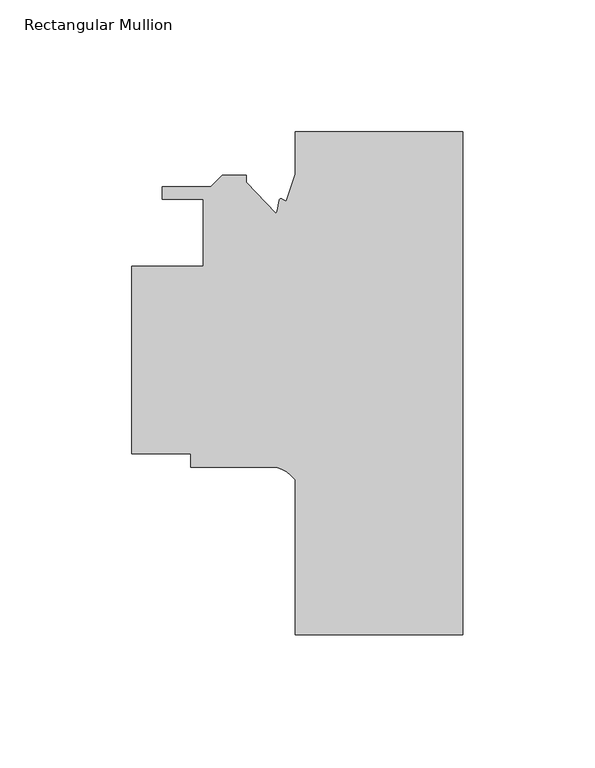
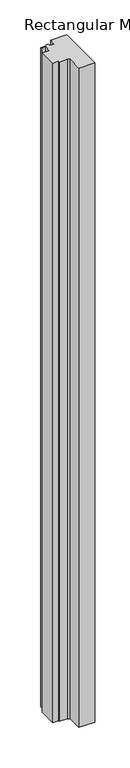
"""IFC4 building model written with IfcOpenShell, lengths in millimetres: member geometry, Rectangular Mullion."""

from ifc_helpers import new_model, si_unit, point, frame, frame_2d, origin, place, context, project, spatial, polyline, circle_curve, trimmed, segment, composite_curve, outline, extrude, source, transform, mapped, element, save


def rectangular_mullion_28385f3c(model_context):
    return source(origin(), model_context, "Body", "SweptSolid", [
        extrude(outline(composite_curve([segment(polyline([(-63.515875, -190.51587), (-63.515875, -131.8340129)]), True, "CONTINUOUS"), segment(trimmed(circle_curve(frame_2d((-74.3196816, -140.2466887)), 13.6928942), [point((-63.515875, -131.8340129))], [point((-70.7925126, -127.015875))], True, "CARTESIAN"), True, "CONTINUOUS"), segment(polyline([(-70.7925126, -127.015875), (-103.1875, -127.015875), (-103.1875, -121.935875), (-125.4125, -121.935875), (-125.4125, -50.8158752), (-98.4250005, -50.8158752), (-98.4250005, -25.4158751), (-113.9261495, -25.4158751), (-113.9261495, -20.716875), (-95.5436417, -20.716875), (-91.2764417, -16.449675), (-82.1761495, -16.449675), (-82.1761495, -18.9896749), (-70.9124267, -30.8165839)]), True, "CONTINUOUS"), segment(trimmed(circle_curve(frame_2d((-72.9145659, -28.8608828)), 2.7988083), [point((-70.9124267, -30.8165839))], [point((-70.3288042, -29.9319404))], True, "CARTESIAN"), True, "CONTINUOUS"), segment(polyline([(-70.3288042, -29.9319404), (-69.6065197, -25.8356617)]), True, "CONTINUOUS"), segment(trimmed(circle_curve(frame_2d((-68.9520165, -25.9510683)), 0.6646), [point((-69.6065197, -25.8356617))], [point((-68.4112898, -25.5646648))], False, "CARTESIAN"), True, "CONTINUOUS"), segment(trimmed(circle_curve(frame_2d((-65.8837493, -21.4555723)), 4.8242203), [point((-68.4112898, -25.5646648))], [point((-66.9314818, -26.1646442))], True, "CARTESIAN"), True, "CONTINUOUS"), segment(polyline([(-66.9314818, -26.1646442), (-63.515875, -15.9383071), (-63.515875, 0.0), (0.0, 0.0), (0.0, -190.51587), (-63.515875, -190.51587)]), True, "CONTINUOUS")], self_intersect=False)), frame((0.0, 0.0, -2743.2), z_axis=(0.0, 0.0, 1.0), x_axis=(1.0, 0.0, 0.0)), (0.0, 0.0, 1.0), 2743.2),
    ])


if __name__ == "__main__":
    model = new_model("IFC4")
    model_context = context("Model", 3, world=origin())
    ifc_project = project(units=[si_unit("LENGTHUNIT", "METRE", prefix="MILLI")], contexts=[model_context])
    site = spatial("IfcSite", under=ifc_project)
    building = spatial("IfcBuilding", under=site)
    placement = place(None, origin())
    rectangular_mullion_shape = rectangular_mullion_28385f3c(model_context)
    element("IfcMember", 1, ObjectType="Rectangular Mullion", at=placement, inside=building, context=model_context, shape_type="MappedRepresentation", body=[
        mapped(rectangular_mullion_shape, transform((0.0, 0.0, 0.0), x_axis=(1.0, 0.0, 0.0), y_axis=(0.0, 1.0, 0.0), z_axis=(0.0, 0.0, 1.0))),
    ])
    save(model, "model.ifc")
